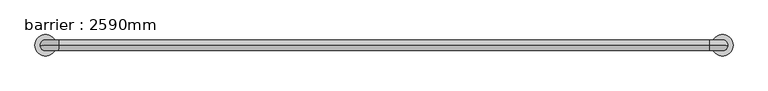
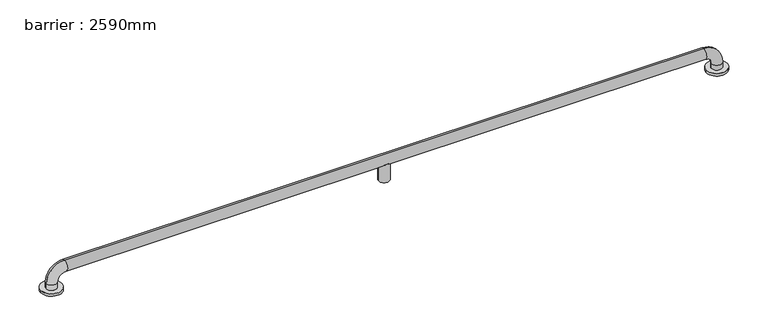
"""IFC4 building model written with IfcOpenShell, lengths in millimetres: geographic element geometry, barrier : 2590mm."""

from ifc_helpers import new_model, si_unit, point, frame, origin, place, context, project, spatial, circle_curve, ellipse_curve, trimmed, source, transform, mapped, element, save
from ifc_brep_helpers import plane_surface, cylinder_surface, revolved_surface, advanced_brep


def barrier_2590mm_6761d798(model_context):
    return source(origin(), model_context, "Body", "AdvancedBrep", [
        advanced_brep(
        [(-553.0799858, 0.0, 0.0), (-473.0799858, 0.0, 0.0), (1989.0610035, 0.0, 0.0), (2069.0610035, 0.0, 0.0), (-493.0799858, 0.0, 30.0), (-533.0799858, 0.0, 30.0), (-533.0799858, 0.0, 10.0), (-493.0799858, 0.0, 10.0), (-463.0799858, 0.0, 60.0), (-463.0799858, 0.0, 100.0), (737.9905089, 0.0, 60.0), (749.2967977, -18.0116458, 71.3062888), (766.6842201, -18.0116458, 71.3062888), (777.9905089, 0.0, 60.0), (1979.0610035, 0.0, 60.0), (1979.0610035, 0.0, 100.0), (766.6842201, 18.0116458, 71.3062888), (749.2967977, 18.0116458, 71.3062888), (2009.0610035, 0.0, 30.0), (2049.0610035, 0.0, 30.0), (2009.0610035, 0.0, 10.0), (2049.0610035, 0.0, 10.0), (737.9905089, 0.0, 0.0), (777.9905089, 0.0, 0.0), (-553.0799858, 0.0, 10.0), (-473.0799858, 0.0, 10.0), (1989.0610035, 0.0, 10.0), (2069.0610035, 0.0, 10.0)],
        [
            (0, 1, circle_curve(frame((-513.0799858, 0.0, 0.0), z_axis=(0.0, 0.0, -1.0), x_axis=(1.0, 0.0, 0.0)), 40.0)),
            (1, 0, circle_curve(frame((-513.0799858, 0.0, 0.0), z_axis=(0.0, 0.0, -1.0), x_axis=(1.0, 0.0, 0.0)), 40.0)),
            (2, 3, circle_curve(frame((2029.0610035, 0.0, 0.0), z_axis=(0.0, 0.0, -1.0), x_axis=(1.0, 0.0, 0.0)), 40.0)),
            (3, 2, circle_curve(frame((2029.0610035, 0.0, 0.0), z_axis=(0.0, 0.0, -1.0), x_axis=(1.0, 0.0, 0.0)), 40.0)),
            (4, 5, circle_curve(frame((-513.0799858, 0.0, 30.0), z_axis=(0.0, 0.0, -1.0), x_axis=(-1.0, 0.0, 0.0)), 20.0)),
            (5, 6),
            (6, 7, circle_curve(frame((-513.0799858, 0.0, 10.0), z_axis=(0.0, 0.0, 1.0), x_axis=(-1.0, 0.0, 0.0)), 20.0)),
            (7, 4),
            (5, 4, circle_curve(frame((-513.0799858, 0.0, 30.0), z_axis=(0.0, 0.0, -1.0), x_axis=(-1.0, 0.0, 0.0)), 20.0)),
            (7, 6, circle_curve(frame((-513.0799858, 0.0, 10.0), z_axis=(0.0, 0.0, 1.0), x_axis=(-1.0, 0.0, 0.0)), 20.0)),
            (4, 8, circle_curve(frame((-463.0799858, 0.0, 30.0), z_axis=(0.0, 1.0, 0.0), x_axis=(-1.0, 0.0, 0.0)), 30.0)),
            (8, 9, circle_curve(frame((-463.0799858, 0.0, 80.0), z_axis=(-1.0, 0.0, 0.0), x_axis=(0.0, 0.0, 1.0)), 20.0)),
            (9, 5, circle_curve(frame((-463.0799858, 0.0, 30.0), z_axis=(0.0, -1.0, 0.0), x_axis=(-1.0, 0.0, 0.0)), 70.0)),
            (9, 8, circle_curve(frame((-463.0799858, 0.0, 80.0), z_axis=(-1.0, 0.0, 0.0), x_axis=(0.0, 0.0, 1.0)), 20.0)),
            (8, 10),
            (10, 11, ellipse_curve(frame((757.9905089, 0.0, 80.0), z_axis=(-0.7071067811865475, 0.0, 0.7071067811865475), x_axis=(-0.7071067811865476, 0.0, -0.7071067811865474)), 28.2842712, 20.0)),
            (11, 12),
            (12, 13, ellipse_curve(frame((757.9905089, 0.0, 80.0), z_axis=(0.7071067811865475, 0.0, 0.7071067811865475), x_axis=(-0.7071067811865476, 0.0, 0.7071067811865474)), 28.2842712, 20.0)),
            (13, 14),
            (14, 15, circle_curve(frame((1979.0610035, 0.0, 80.0), z_axis=(-1.0, 0.0, 0.0), x_axis=(0.0, 0.0, 1.0)), 20.0)),
            (15, 9),
            (15, 14, circle_curve(frame((1979.0610035, 0.0, 80.0), z_axis=(-1.0, 0.0, 0.0), x_axis=(0.0, 0.0, 1.0)), 20.0)),
            (13, 16, ellipse_curve(frame((757.9905089, 0.0, 80.0), z_axis=(0.7071067811865475, 0.0, 0.7071067811865475), x_axis=(-0.7071067811865476, 0.0, 0.7071067811865474)), 28.2842712, 20.0)),
            (16, 17),
            (17, 10, ellipse_curve(frame((757.9905089, 0.0, 80.0), z_axis=(-0.7071067811865475, 0.0, 0.7071067811865475), x_axis=(-0.7071067811865476, 0.0, -0.7071067811865474)), 28.2842712, 20.0)),
            (14, 18, circle_curve(frame((1979.0610035, 0.0, 30.0), z_axis=(0.0, 1.0, 0.0), x_axis=(0.0, 0.0, 1.0)), 30.0)),
            (18, 19, circle_curve(frame((2029.0610035, 0.0, 30.0), z_axis=(0.0, 0.0, 1.0), x_axis=(1.0, 0.0, 0.0)), 20.0)),
            (19, 15, circle_curve(frame((1979.0610035, 0.0, 30.0), z_axis=(0.0, -1.0, 0.0), x_axis=(0.0, 0.0, 1.0)), 70.0)),
            (19, 18, circle_curve(frame((2029.0610035, 0.0, 30.0), z_axis=(0.0, 0.0, 1.0), x_axis=(1.0, 0.0, 0.0)), 20.0)),
            (18, 20),
            (20, 21, circle_curve(frame((2029.0610035, 0.0, 10.0), z_axis=(0.0, 0.0, 1.0), x_axis=(1.0, 0.0, 0.0)), 20.0)),
            (21, 19),
            (21, 20, circle_curve(frame((2029.0610035, 0.0, 10.0), z_axis=(0.0, 0.0, 1.0), x_axis=(1.0, 0.0, 0.0)), 20.0)),
            (22, 23, circle_curve(frame((757.9905089, 0.0, 0.0), z_axis=(0.0, 0.0, -1.0), x_axis=(1.0, 0.0, 0.0)), 20.0)),
            (23, 22, circle_curve(frame((757.9905089, 0.0, 0.0), z_axis=(0.0, 0.0, -1.0), x_axis=(1.0, 0.0, 0.0)), 20.0)),
            (23, 13),
            (12, 11, circle_curve(frame((757.9905089, 0.0, 71.3062888), z_axis=(0.0, 0.0, -1.0), x_axis=(1.0, 0.0, 0.0)), 20.0)),
            (10, 22),
            (17, 16, circle_curve(frame((757.9905089, 0.0, 71.3062888), z_axis=(0.0, 0.0, -1.0), x_axis=(1.0, 0.0, 0.0)), 20.0)),
            (24, 25, circle_curve(frame((-513.0799858, 0.0, 10.0), z_axis=(0.0, 0.0, 1.0), x_axis=(1.0, 0.0, 0.0)), 40.0)),
            (25, 24, circle_curve(frame((-513.0799858, 0.0, 10.0), z_axis=(0.0, 0.0, 1.0), x_axis=(1.0, 0.0, 0.0)), 40.0)),
            (26, 27, circle_curve(frame((2029.0610035, 0.0, 10.0), z_axis=(0.0, 0.0, 1.0), x_axis=(1.0, 0.0, 0.0)), 40.0)),
            (27, 26, circle_curve(frame((2029.0610035, 0.0, 10.0), z_axis=(0.0, 0.0, 1.0), x_axis=(1.0, 0.0, 0.0)), 40.0)),
            (24, 0),
            (1, 25),
            (26, 2),
            (3, 27),
        ],
        [
            plane_surface(frame((-513.0799858, -20.0, 0.0), z_axis=(0.0, 0.0, -1.0), x_axis=(1.0, 0.0, 0.0))),
            cylinder_surface(frame((-513.0799858, 0.0, 0.0), z_axis=(0.0, 0.0, -1.0), x_axis=(-1.0, 0.0, 0.0)), 20.0),
            revolved_surface(trimmed(ellipse_curve(frame((-513.0799858, 0.0, 30.0), z_axis=(0.0, 0.0, -1.0), x_axis=(-1.0, 0.0, 0.0)), 20.0, 20.0), [point((-493.0799858, 0.0, 30.0))], [point((-533.0799858, 0.0, 30.0))], True, "CARTESIAN"), (-463.0799858, 0.0, 30.0), (0.0, 1.0, 0.0)),
            revolved_surface(trimmed(ellipse_curve(frame((-513.0799858, 0.0, 30.0), z_axis=(0.0, 0.0, -1.0), x_axis=(-1.0, 0.0, 0.0)), 20.0, 20.0), [point((-533.0799858, 0.0, 30.0))], [point((-493.0799858, 0.0, 30.0))], True, "CARTESIAN"), (-463.0799858, 0.0, 30.0), (0.0, 1.0, 0.0)),
            cylinder_surface(frame((-463.0799858, 0.0, 80.0), z_axis=(-1.0, 0.0, 0.0), x_axis=(0.0, 0.0, 1.0)), 20.0),
            revolved_surface(trimmed(ellipse_curve(frame((1979.0610035, 0.0, 80.0), z_axis=(-1.0, 0.0, 0.0), x_axis=(0.0, 0.0, 1.0)), 20.0, 20.0), [point((1979.0610035, 0.0, 60.0))], [point((1979.0610035, 0.0, 100.0))], True, "CARTESIAN"), (1979.0610035, 0.0, 30.0), (0.0, 1.0, 0.0)),
            revolved_surface(trimmed(ellipse_curve(frame((1979.0610035, 0.0, 80.0), z_axis=(-1.0, 0.0, 0.0), x_axis=(0.0, 0.0, 1.0)), 20.0, 20.0), [point((1979.0610035, 0.0, 100.0))], [point((1979.0610035, 0.0, 60.0))], True, "CARTESIAN"), (1979.0610035, 0.0, 30.0), (0.0, 1.0, 0.0)),
            cylinder_surface(frame((2029.0610035, 0.0, 30.0), z_axis=(0.0, 0.0, 1.0), x_axis=(1.0, 0.0, 0.0)), 20.0),
            plane_surface(frame((777.9905089, 0.0, 0.0), z_axis=(0.0, 0.0, -1.0), x_axis=(0.0, -1.0, 0.0))),
            cylinder_surface(frame((757.9905089, 0.0, 0.0), z_axis=(0.0, 0.0, 1.0), x_axis=(1.0, 0.0, 0.0)), 20.0),
            plane_surface(frame((-473.0799858, 0.0, 10.0), z_axis=(0.0, 0.0, 1.0), x_axis=(0.0, 1.0, 0.0))),
            cylinder_surface(frame((-513.0799858, 0.0, 0.0), z_axis=(0.0, 0.0, 1.0), x_axis=(1.0, 0.0, 0.0)), 40.0),
            cylinder_surface(frame((2029.0610035, 0.0, 0.0), z_axis=(0.0, 0.0, 1.0), x_axis=(1.0, 0.0, 0.0)), 40.0),
            plane_surface(frame((777.9905089, 0.0, 71.3062888), z_axis=(0.0, 0.0, 1.0), x_axis=(0.0, 1.0, 0.0))),
        ],
        [
            (0, [[1, 2]]),
            (0, [[3, 4]]),
            (1, [[5, 6, 7, 8]]),
            (1, [[9, -8, 10, -6]]),
            (2, [[-5, 11, 12, 13]]),
            (3, [[-9, -13, 14, -11]]),
            (4, [[-12, 15, 16, 17, 18, 19, 20, 21]]),
            (4, [[-14, -21, 22, -19, 23, 24, 25, -15]]),
            (5, [[-20, 26, 27, 28]]),
            (6, [[-22, -28, 29, -26]]),
            (7, [[-27, 30, 31, 32]]),
            (7, [[-29, -32, 33, -30]]),
            (8, [[34, 35]]),
            (9, [[-35, 36, -18, 37, -16, 38]]),
            (9, [[-34, -38, -25, 39, -23, -36]]),
            (10, [[40, 41], [-7, -10]]),
            (10, [[42, 43], [-31, -33]]),
            (11, [[-40, 44, -2, 45]]),
            (11, [[-41, -45, -1, -44]]),
            (12, [[-42, 46, -4, 47]]),
            (12, [[-43, -47, -3, -46]]),
            (13, [[-37, -17]]),
            (13, [[-39, -24]]),
        ],
    ),
    ])


if __name__ == "__main__":
    model = new_model("IFC4")
    model_context = context("Model", 3, world=origin())
    ifc_project = project(units=[si_unit("LENGTHUNIT", "METRE", prefix="MILLI")], contexts=[model_context])
    site = spatial("IfcSite", under=ifc_project)
    building = spatial("IfcBuilding", under=site)
    placement = place(None, origin())
    barrier_2590mm_shape = barrier_2590mm_6761d798(model_context)
    element("IfcGeographicElement", 1, ObjectType="barrier : 2590mm", at=placement, inside=building, context=model_context, shape_type="MappedRepresentation", body=[
        mapped(barrier_2590mm_shape, transform((0.0, 0.0, 0.0), x_axis=(1.0, 0.0, 0.0), y_axis=(0.0, 1.0, 0.0), z_axis=(0.0, 0.0, 1.0))),
    ])
    save(model, "model.ifc")
